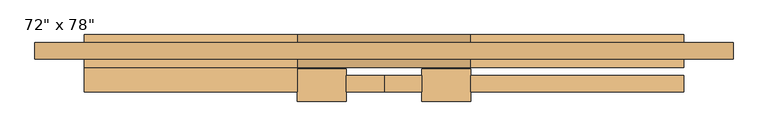
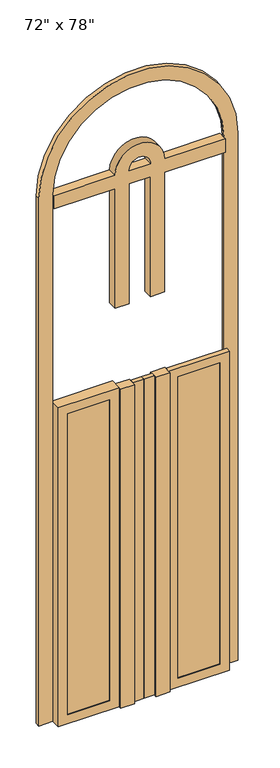
"""IFC4 building model written with IfcOpenShell, lengths in millimetres: door geometry."""

from ifc_helpers import new_model, si_unit, point, frame, frame_2d, origin, origin_with_axes, place, context, project, spatial, polyline, circle_curve, trimmed, segment, composite_curve, outline, extrude, source, transform, mapped, element, save
from ifc_brep_helpers import plane_surface, cylinder_surface, revolved_surface, advanced_brep


def door_0bc05968(model_context):
    return source(origin(), model_context, "Body", "SolidModel", [
        extrude(outline(polyline([(-114.4, 26.2), (0.0, 26.2), (0.0, -23.8), (-114.4, -23.8), (-114.4, 26.2)])), origin_with_axes(), (0.0, 0.0, 1.0), 3600.0),
        extrude(outline(polyline([(0.0, 26.2), (114.4, 26.2), (114.4, -23.8), (0.0, -23.8), (0.0, 26.2)])), origin_with_axes(), (0.0, 0.0, 1.0), 3600.0),
        advanced_brep(
        [(1064.4, 76.2, 0.0), (914.4, 76.2, 0.0), (914.4, 106.2, 0.0), (1034.4, 106.2, 0.0), (1034.4, 126.2, 0.0), (1064.4, 126.2, 0.0), (1064.4, 76.2, 5950.0), (-1064.4, 76.2, 5950.0), (-1064.4, 76.2, 0.0), (-914.4, 76.2, 0.0), (-914.4, 76.2, 5950.0), (914.4, 76.2, 5950.0), (914.4, 106.2, 5950.0), (-914.4, 106.2, 5950.0), (-914.4, 106.2, 0.0), (-1034.4, 106.2, 0.0), (-1034.4, 106.2, 5950.0), (1034.4, 106.2, 5950.0), (1034.4, 126.2, 5950.0), (-1034.4, 126.2, 5950.0), (-1034.4, 126.2, 0.0), (-1064.4, 126.2, 0.0), (-1064.4, 126.2, 5950.0), (1064.4, 126.2, 5950.0)],
        [
            (0, 1),
            (1, 2),
            (2, 3),
            (3, 4),
            (4, 5),
            (5, 0),
            (0, 6),
            (6, 7, circle_curve(frame((0.0, 76.2, 5950.0), z_axis=(0.0, -1.0, 0.0), x_axis=(1.0, 0.0, 0.0)), 1064.4)),
            (7, 8),
            (8, 9),
            (9, 10),
            (10, 11, circle_curve(frame((0.0, 76.2, 5950.0), z_axis=(0.0, 1.0, 0.0), x_axis=(1.0, 0.0, 0.0)), 914.4)),
            (11, 1),
            (11, 12),
            (12, 2),
            (12, 13, circle_curve(frame((0.0, 106.2, 5950.0), z_axis=(0.0, -1.0, 0.0), x_axis=(1.0, 0.0, 0.0)), 914.4)),
            (13, 14),
            (14, 15),
            (15, 16),
            (16, 17, circle_curve(frame((0.0, 106.2, 5950.0), z_axis=(0.0, 1.0, 0.0), x_axis=(1.0, 0.0, 0.0)), 1034.4)),
            (17, 3),
            (17, 18),
            (18, 4),
            (18, 19, circle_curve(frame((0.0, 126.2, 5950.0), z_axis=(0.0, -1.0, 0.0), x_axis=(1.0, 0.0, 0.0)), 1034.4)),
            (19, 20),
            (20, 21),
            (21, 22),
            (22, 23, circle_curve(frame((0.0, 126.2, 5950.0), z_axis=(0.0, 1.0, 0.0), x_axis=(1.0, 0.0, 0.0)), 1064.4)),
            (23, 5),
            (23, 6),
            (7, 22),
            (21, 8),
            (20, 15),
            (14, 9),
            (13, 10),
            (19, 16),
        ],
        [
            plane_surface(frame((914.4, 76.2, 0.0), z_axis=(0.0, 0.0, -1.0), x_axis=(0.0, 1.0, 0.0))),
            plane_surface(frame((1064.4, 76.2, 0.0), z_axis=(0.0, -1.0, 0.0), x_axis=(0.0, 0.0, 1.0))),
            plane_surface(frame((914.4, 76.2, 0.0), z_axis=(-1.0, 0.0, 0.0), x_axis=(0.0, 0.0, 1.0))),
            plane_surface(frame((914.4, 106.2, 0.0), z_axis=(0.0, 1.0, 0.0), x_axis=(0.0, 0.0, 1.0))),
            plane_surface(frame((1034.4, 106.2, 0.0), z_axis=(-1.0, 0.0, 0.0), x_axis=(0.0, 0.0, 1.0))),
            plane_surface(frame((1034.4, 126.2, 0.0), z_axis=(0.0, 1.0, 0.0), x_axis=(0.0, 0.0, 1.0))),
            plane_surface(frame((1064.4, 126.2, 0.0), z_axis=(1.0, 0.0, 0.0), x_axis=(0.0, 0.0, 1.0))),
            plane_surface(frame((-1064.4, 126.2, 5950.0), z_axis=(-1.0, 0.0, 0.0), x_axis=(0.0, 0.0, -1.0))),
            plane_surface(frame((-914.4, 76.2, 0.0), z_axis=(0.0, 0.0, -1.0), x_axis=(0.0, 1.0, 0.0))),
            plane_surface(frame((-914.4, 76.2, 5950.0), z_axis=(1.0, 0.0, 0.0), x_axis=(0.0, 0.0, -1.0))),
            plane_surface(frame((-1034.4, 106.2, 5950.0), z_axis=(1.0, 0.0, 0.0), x_axis=(0.0, 0.0, -1.0))),
            cylinder_surface(frame((0.0, 76.2, 5950.0), z_axis=(0.0, -1.0, 0.0), x_axis=(1.0, 0.0, 0.0)), 1064.4),
            revolved_surface(polyline([(914.4, 76.2, 5950.0), (914.4, 106.2, 5950.0)]), (0.0, 76.2, 5950.0), (0.0, -1.0, 0.0)),
            revolved_surface(polyline([(1034.4, 106.2, 5950.0), (1034.4, 126.2, 5950.0)]), (0.0, 76.2, 5950.0), (0.0, -1.0, 0.0)),
        ],
        [
            (0, [[1, 2, 3, 4, 5, 6]]),
            (1, [[-1, 7, 8, 9, 10, 11, 12, 13]]),
            (2, [[-2, -13, 14, 15]]),
            (3, [[-3, -15, 16, 17, 18, 19, 20, 21]]),
            (4, [[-4, -21, 22, 23]]),
            (5, [[-5, -23, 24, 25, 26, 27, 28, 29]]),
            (6, [[-6, -29, 30, -7]]),
            (7, [[31, -27, 32, -9]]),
            (8, [[-32, -26, 33, -18, 34, -10]]),
            (9, [[35, -11, -34, -17]]),
            (10, [[36, -19, -33, -25]]),
            (11, [[-8, -30, -28, -31]]),
            (12, [[-16, -14, -12, -35]]),
            (13, [[-24, -22, -20, -36]]),
        ],
    ),
        extrude(outline(polyline([(-814.4, 6.2), (-364.4, 6.2), (-364.4, -13.8), (-814.4, -13.8), (-814.4, 6.2)])), frame((0.0, 0.0, 100.0), z_axis=(0.0, 0.0, 1.0), x_axis=(1.0, 0.0, 0.0)), (0.0, 0.0, 1.0), 3400.0),
        extrude(outline(polyline([(3600.0, -264.4), (3600.0, -914.4), (0.0, -914.4), (0.0, -264.4), (3600.0, -264.4)]), holes=[polyline([(100.0, -364.4), (100.0, -814.4), (3500.0, -814.4), (3500.0, -364.4), (100.0, -364.4)])]), frame((0.0, -23.8, 0.0), z_axis=(0.0, 1.0, 0.0), x_axis=(0.0, 0.0, 1.0)), (0.0, 0.0, 1.0), 123.8),
        extrude(outline(polyline([(364.4, 6.2), (814.4, 6.2), (814.4, -13.8), (364.4, -13.8), (364.4, 6.2)])), frame((0.0, 0.0, 100.0), z_axis=(0.0, 0.0, 1.0), x_axis=(1.0, 0.0, 0.0)), (0.0, 0.0, 1.0), 3400.0),
        extrude(outline(polyline([(3600.0, 914.4), (3600.0, 264.4), (0.0, 264.4), (0.0, 914.4), (3600.0, 914.4)]), holes=[polyline([(100.0, 814.4), (100.0, 364.4), (3500.0, 364.4), (3500.0, 814.4), (100.0, 814.4)])]), frame((0.0, -23.8, 0.0), z_axis=(0.0, 1.0, 0.0), x_axis=(0.0, 0.0, 1.0)), (0.0, 0.0, 1.0), 50.0),
        extrude(outline(polyline([(-264.4, 46.2), (-114.4, 46.2), (-114.4, -53.8), (-264.4, -53.8), (-264.4, 46.2)])), origin_with_axes(), (0.0, 0.0, 1.0), 3600.0),
        extrude(outline(polyline([(114.4, 46.2), (264.4, 46.2), (264.4, -53.8), (114.4, -53.8), (114.4, 46.2)])), origin_with_axes(), (0.0, 0.0, 1.0), 3600.0),
        extrude(outline(composite_curve([segment(trimmed(circle_curve(frame_2d((5950.0, 0.0)), 264.4), [point((5950.0, 264.4))], [point((5950.0, -264.4))], False, "CARTESIAN"), True, "CONTINUOUS"), segment(polyline([(5950.0, -264.4), (5950.0, -914.4), (5800.0, -914.4), (5800.0, -264.4), (4450.0, -264.4), (4450.0, -114.4), (5800.0, -114.4), (5800.0, 114.4), (4450.0, 114.4), (4450.0, 264.4), (5800.0, 264.4), (5800.0, 914.4), (5950.0, 914.4), (5950.0, 264.4)]), True, "CONTINUOUS")], self_intersect=False), holes=[composite_curve([segment(polyline([(5950.0, 114.4), (5950.0, -114.4)]), True, "CONTINUOUS"), segment(trimmed(circle_curve(frame_2d((5950.0, 0.0)), 114.4), [point((5950.0, -114.4))], [point((5950.0, 114.4))], True, "CARTESIAN"), True, "CONTINUOUS")], self_intersect=False)]), frame((0.0, 50.0, 0.0), z_axis=(0.0, 1.0, 0.0), x_axis=(0.0, 0.0, 1.0)), (0.0, 0.0, 1.0), 100.0),
    ])


if __name__ == "__main__":
    model = new_model("IFC4")
    model_context = context("Model", 3, world=origin())
    ifc_project = project(units=[si_unit("LENGTHUNIT", "METRE", prefix="MILLI")], contexts=[model_context])
    site = spatial("IfcSite", under=ifc_project)
    building = spatial("IfcBuilding", under=site)
    placement = place(None, origin())
    door_shape = door_0bc05968(model_context)
    element("IfcDoor", 1, ObjectType="72\" x 78\"", at=placement, inside=building, context=model_context, shape_type="MappedRepresentation", body=[
        mapped(door_shape, transform((0.0, 0.0, 0.0), x_axis=(1.0, 0.0, 0.0), y_axis=(0.0, 1.0, 0.0), z_axis=(0.0, 0.0, 1.0))),
    ])
    save(model, "model.ifc")
